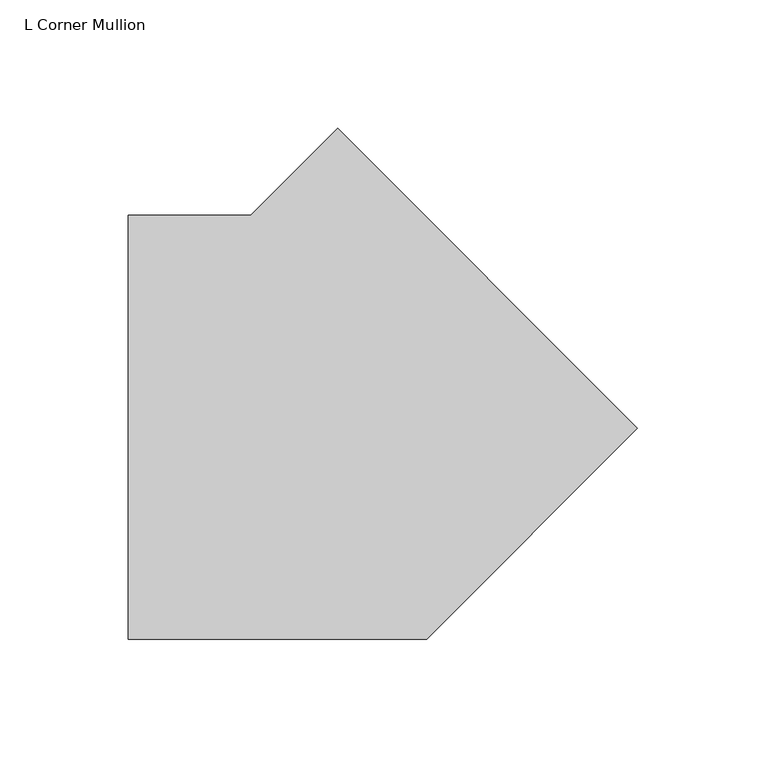
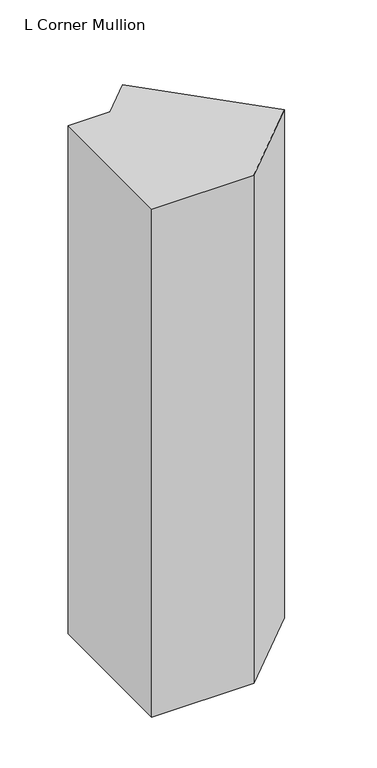
"""IFC4 building model written with IfcOpenShell, lengths in millimetres: member geometry, L Corner Mullion."""

from ifc_helpers import new_model, si_unit, frame, origin, place, context, project, spatial, polyline, outline, extrude, source, transform, mapped, element, save


def l_corner_mullion_31d2ef33(model_context):
    return source(origin(), model_context, "Body", "SweptSolid", [
        extrude(outline(polyline([(87.3194045, 69.3588922), (5.2605122, -12.7), (-110.7882861, -12.7), (-110.7882861, 152.4), (-63.1261469, 152.4), (-29.4239251, 186.1022218), (87.3194045, 69.3588922)])), frame((0.0, 0.0, -609.6), z_axis=(0.0, 0.0, 1.0), x_axis=(1.0, 0.0, 0.0)), (0.0, 0.0, 1.0), 609.6),
    ])


if __name__ == "__main__":
    model = new_model("IFC4")
    model_context = context("Model", 3, world=origin())
    ifc_project = project(units=[si_unit("LENGTHUNIT", "METRE", prefix="MILLI")], contexts=[model_context])
    site = spatial("IfcSite", under=ifc_project)
    building = spatial("IfcBuilding", under=site)
    placement = place(None, origin())
    l_corner_mullion_shape = l_corner_mullion_31d2ef33(model_context)
    element("IfcMember", 1, ObjectType="L Corner Mullion", at=placement, inside=building, context=model_context, shape_type="MappedRepresentation", body=[
        mapped(l_corner_mullion_shape, transform((0.0, 0.0, 0.0), x_axis=(1.0, 0.0, 0.0), y_axis=(0.0, 1.0, 0.0), z_axis=(0.0, 0.0, 1.0))),
    ])
    save(model, "model.ifc")
